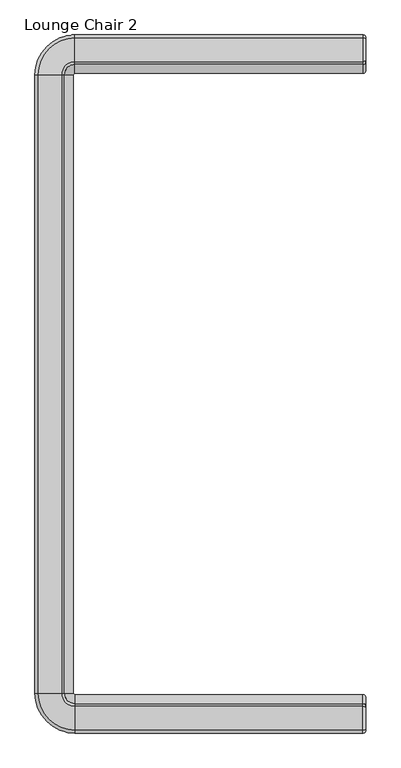
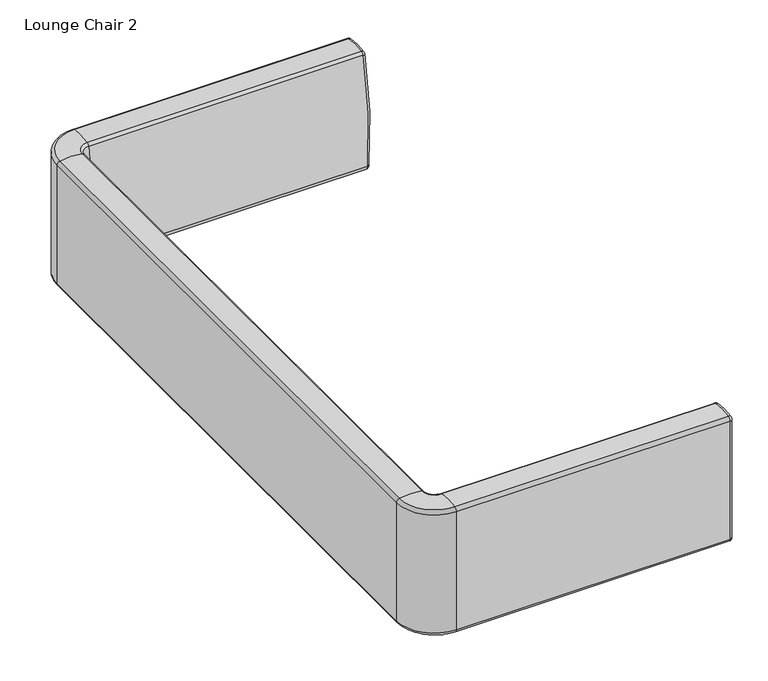
"""IFC4 building model written with IfcOpenShell, lengths in millimetres: furniture geometry, Lounge Chair 2."""

from ifc_helpers import new_model, si_unit, point, frame, origin, place, context, project, spatial, polyline, circle_curve, ellipse_curve, trimmed, source, transform, mapped, element, save
from ifc_brep_helpers import plane_surface, cylinder_surface, revolved_surface, advanced_brep


def lounge_chair_2_378ca54b(model_context):
    return source(origin(), model_context, "Body", "AdvancedBrep", [
        advanced_brep(
        [(382.9050121, -714.5232118, 679.4101744), (382.9050121, -715.5445841, 678.1647491), (382.9050121, -715.5445841, 406.9326341), (382.9050121, -713.4735492, 405.9471174), (382.9050121, -679.435139, 420.1629446), (382.9050121, -655.0515474, 429.151888), (382.9050121, -651.0062039, 435.9247564), (382.9050121, -667.0973097, 678.4771601), (382.9050121, -668.0842542, 679.4255901), (376.5550121, -715.7663503, 685.6373011), (376.5550121, -721.8945841, 678.1647491), (376.5550121, -721.8945841, 406.9326341), (376.5550121, -709.4683748, 401.019534), (376.5550121, -678.7459989, 413.8504501), (376.5550121, -651.4784521, 423.9025557), (376.5550121, -644.6903074, 435.2675266), (376.5550121, -660.9235834, 679.9629608), (376.5550121, -666.8452503, 685.6535408), (376.5550121, 660.9235834, 679.9629608), (-219.0746083, 660.9235834, 679.9629608), (-219.0746083, 644.6903074, 435.2675266), (376.5550121, 644.6903074, 435.2675266), (376.5550121, 651.4784521, 423.9025557), (-219.0746083, 651.4784521, 423.9025557), (-219.0746083, 678.7459989, 413.8504501), (376.5550121, 678.7459989, 413.8504501), (376.5550121, 721.8945841, 406.9326341), (-219.0746083, 721.8945841, 406.9326341), (-219.0746083, 721.8945841, 678.1647491), (376.5550121, 721.8945841, 678.1647491), (-240.6536319, 639.3445599, 679.9629608), (-224.4203559, 639.3445599, 435.2675266), (-231.2085006, 639.3445599, 423.9025557), (-258.4760474, 639.3445599, 413.8504501), (-301.6246325, 639.3445599, 406.9326341), (-301.6246325, 639.3445599, 678.1647491), (-240.6536319, -639.3445599, 679.9629608), (-224.4203559, -639.3445599, 435.2675266), (-231.2085006, -639.3445599, 423.9025557), (-258.4760474, -639.3445599, 413.8504501), (-301.6246325, -639.3445599, 406.9326341), (-301.6246325, -639.3445599, 678.1647491), (-219.0746083, -660.9235834, 679.9629608), (-219.0746083, -644.6903074, 435.2675266), (-219.0746083, -651.4784521, 423.9025557), (-219.0746083, -678.7459989, 413.8504501), (-219.0746083, -721.8945841, 406.9326341), (-219.0746083, -721.8945841, 678.1647491), (-219.0746083, 709.4683748, 401.019534), (376.5550121, 709.4683748, 401.019534), (-289.1984232, 639.3445599, 401.019534), (-289.1984232, -639.3445599, 401.019534), (-219.0746083, -709.4683748, 401.019534), (-219.0746083, 715.7663503, 685.6373011), (376.5550121, 715.7663503, 685.6373011), (-219.0746083, 666.8452503, 685.6535408), (376.5550121, 666.8452503, 685.6535408), (-295.4963987, 639.3445599, 685.6373011), (-246.5752987, 639.3445599, 685.6535408), (-295.4963987, -639.3445599, 685.6373011), (-246.5752987, -639.3445599, 685.6535408), (-219.0746083, -715.7663503, 685.6373011), (-219.0746083, -666.8452503, 685.6535408), (382.9050121, 668.0842542, 679.4255901), (382.9050121, 667.0973097, 678.4771601), (382.9050121, 651.0062039, 435.9247564), (382.9050121, 655.0515474, 429.151888), (382.9050121, 679.435139, 420.1629446), (382.9050121, 713.4735492, 405.9471174), (382.9050121, 715.5445841, 406.9326341), (382.9050121, 715.5445841, 678.1647491), (382.9050121, 714.5232118, 679.4101744)],
        [
            (0, 1, circle_curve(frame((382.9050121, -714.2745841, 678.1647491), z_axis=(1.0, 0.0, 0.0), x_axis=(0.0, -0.19576984179669715, 0.9806498707708557)), 1.27)),
            (1, 2),
            (2, 3, circle_curve(frame((382.9050121, -714.2745841, 406.9326341), z_axis=(1.0, 0.0, 0.0), x_axis=(0.0, -1.0, 0.0)), 1.27)),
            (3, 4, circle_curve(frame((382.9050121, -672.3612575, 355.3664873), z_axis=(-1.0, 0.0, 0.0), x_axis=(0.0, -0.6307361277008335, 0.7759973822204285)), 65.1814443)),
            (4, 5, circle_curve(frame((382.9050121, -685.2617591, 473.5345393), z_axis=(1.0, 0.0, 0.0), x_axis=(0.0, 0.10852600235373884, -0.9940936106892129)), 53.6887011)),
            (5, 6, circle_curve(frame((382.9050121, -660.3214873, 436.8941013), z_axis=(1.0, 0.0, 0.0), x_axis=(0.0, 0.5626921702505863, -0.82666651168333)), 9.3655824)),
            (6, 7, circle_curve(frame((382.9050121, -1365.8518023, 510.3113207), z_axis=(1.0, 0.0, 0.0), x_axis=(0.0, 0.994629374658128, -0.10350075877587275)), 718.7054964)),
            (7, 8, circle_curve(frame((382.9050121, -668.332055, 678.18), z_axis=(1.0, 0.0, 0.0), x_axis=(0.0, 0.9722403629031896, 0.23398435148931254)), 1.27)),
            (8, 0, circle_curve(frame((382.9050121, -691.265056, 562.9054704), z_axis=(1.0, 0.0, 0.0), x_axis=(0.0, 0.1951187333087927, 0.9807796286179542)), 118.8035684)),
            (0, 9, circle_curve(frame((376.5550121, -714.5232118, 679.4101744), z_axis=(0.0, -0.9806498707708557, -0.19576984179669712), x_axis=(0.0, 0.19576984179669712, -0.9806498707708557)), 6.35)),
            (9, 10, circle_curve(frame((376.5550121, -714.2745841, 678.1647491), z_axis=(1.0, 0.0, 0.0), x_axis=(0.0, -0.19576984179669715, 0.9806498707708557)), 7.62)),
            (10, 1, circle_curve(frame((376.5550121, -715.5445841, 678.1647491), z_axis=(0.0, 0.0, 0.9999999999999999), x_axis=(0.0, 0.9999999999999999, 0.0)), 6.35)),
            (10, 11),
            (11, 2, circle_curve(frame((376.5550121, -715.5445841, 406.9326341), z_axis=(0.0, 0.0, 1.0), x_axis=(0.0, 1.0, 0.0)), 6.35)),
            (11, 12, circle_curve(frame((376.5550121, -714.2745841, 406.9326341), z_axis=(1.0, 0.0, 0.0), x_axis=(0.0, -1.0, 0.0)), 7.62)),
            (12, 3, circle_curve(frame((376.5550121, -713.4735492, 405.9471174), z_axis=(0.0, -0.7759973822204405, -0.6307361277008188), x_axis=(0.0, -0.6307361277008188, 0.7759973822204405)), 6.35)),
            (12, 13, circle_curve(frame((376.5550121, -672.3612575, 355.3664873), z_axis=(-1.0, 0.0, 0.0), x_axis=(0.0, -0.6307361277008335, 0.7759973822204285)), 58.8314443)),
            (13, 4, circle_curve(frame((376.5550121, -679.435139, 420.1629446), z_axis=(0.0, -0.9940936106892131, -0.10852600235373594), x_axis=(0.0, -0.10852600235373594, 0.9940936106892131)), 6.35)),
            (13, 14, circle_curve(frame((376.5550121, -685.2617591, 473.5345393), z_axis=(1.0, 0.0, 0.0), x_axis=(0.0, 0.10852600235373884, -0.9940936106892129)), 60.0387011)),
            (14, 5, circle_curve(frame((376.5550121, -655.0515474, 429.151888), z_axis=(0.0, -0.8266665116833323, -0.5626921702505829), x_axis=(0.0, -0.5626921702505829, 0.8266665116833323)), 6.35)),
            (14, 15, circle_curve(frame((376.5550121, -660.3214873, 436.8941013), z_axis=(1.0, 0.0, 0.0), x_axis=(0.0, 0.5626921702505863, -0.82666651168333)), 15.7155824)),
            (15, 6, circle_curve(frame((376.5550121, -651.0062039, 435.9247564), z_axis=(0.0, -0.10350075877586978, -0.9946293746581284), x_axis=(0.0, -0.9946293746581284, 0.10350075877586978)), 6.35)),
            (15, 16, circle_curve(frame((376.5550121, -1365.8518023, 510.3113207), z_axis=(1.0, 0.0, 0.0), x_axis=(0.0, 0.994629374658128, -0.10350075877587275)), 725.0554964)),
            (16, 7, circle_curve(frame((376.5550121, -667.0973097, 678.4771601), z_axis=(0.0, 0.23398435148929125, -0.9722403629031947), x_axis=(0.0, -0.9722403629031947, -0.23398435148929125)), 6.35)),
            (16, 17, circle_curve(frame((376.5550121, -668.332055, 678.18), z_axis=(1.0, 0.0, 0.0), x_axis=(0.0, 0.9722403629031896, 0.23398435148931254)), 7.62)),
            (17, 8, circle_curve(frame((376.5550121, -668.0842542, 679.4255901), z_axis=(0.0, 0.9807796286179571, -0.19511873330877794), x_axis=(0.0, -0.19511873330877794, -0.9807796286179571)), 6.35)),
            (17, 9, circle_curve(frame((376.5550121, -691.265056, 562.9054704), z_axis=(1.0, 0.0, 0.0), x_axis=(0.0, 0.1951187333087927, 0.9807796286179542)), 125.1535684)),
            (18, 19),
            (19, 20, circle_curve(frame((-219.0746083, 1365.8518023, 510.3113207), z_axis=(1.0, 0.0, 0.0), x_axis=(0.0, -1.0, 0.0)), 725.0554964)),
            (20, 21),
            (21, 18, circle_curve(frame((376.5550121, 1365.8518023, 510.3113207), z_axis=(-1.0, 0.0, 0.0), x_axis=(0.0, -1.0, 0.0)), 725.0554964)),
            (22, 23),
            (23, 24, circle_curve(frame((-219.0746083, 685.2617591, 473.5345393), z_axis=(1.0, 0.0, 0.0), x_axis=(0.0, -1.0, 0.0)), 60.0387011)),
            (24, 25),
            (25, 22, circle_curve(frame((376.5550121, 685.2617591, 473.5345393), z_axis=(-1.0, 0.0, 0.0), x_axis=(0.0, -1.0, 0.0)), 60.0387011)),
            (26, 27),
            (27, 28),
            (28, 29),
            (29, 26),
            (19, 30, circle_curve(frame((-219.0746083, 639.3445599, 679.9629608), z_axis=(0.0, 0.0, 1.0), x_axis=(0.0, 1.0, 0.0)), 21.5790236)),
            (30, 31, circle_curve(frame((-945.5818508, 639.3445599, 510.3113207), z_axis=(0.0, 1.0, 0.0), x_axis=(1.0, 0.0, 0.0)), 725.0554964)),
            (31, 20, circle_curve(frame((-219.0746083, 639.3445599, 435.2675266), z_axis=(0.0, 0.0, -1.0), x_axis=(0.0, 1.0, 0.0)), 5.3457475)),
            (23, 32, circle_curve(frame((-219.0746083, 639.3445599, 423.9025557), z_axis=(0.0, 0.0, 1.0), x_axis=(0.0, 1.0, 0.0)), 12.1338922)),
            (32, 33, circle_curve(frame((-264.9918076, 639.3445599, 473.5345393), z_axis=(0.0, 1.0, 0.0), x_axis=(1.0, 0.0, 0.0)), 60.0387011)),
            (33, 24, circle_curve(frame((-219.0746083, 639.3445599, 413.8504501), z_axis=(0.0, 0.0, -1.0), x_axis=(0.0, 1.0, 0.0)), 39.401439)),
            (27, 34, circle_curve(frame((-219.0746083, 639.3445599, 406.9326341), z_axis=(0.0, 0.0, 1.0), x_axis=(0.0, 1.0, 0.0)), 82.5500242)),
            (34, 35),
            (35, 28, circle_curve(frame((-219.0746083, 639.3445599, 678.1647491), z_axis=(0.0, 0.0, -1.0), x_axis=(0.0, 1.0, 0.0)), 82.5500242)),
            (30, 36),
            (36, 37, circle_curve(frame((-945.5818508, -639.3445599, 510.3113207), z_axis=(0.0, 1.0, 0.0), x_axis=(1.0, 0.0, 0.0)), 725.0554964)),
            (37, 31),
            (32, 38),
            (38, 39, circle_curve(frame((-264.9918076, -639.3445599, 473.5345393), z_axis=(0.0, 1.0, 0.0), x_axis=(1.0, 0.0, 0.0)), 60.0387011)),
            (39, 33),
            (34, 40),
            (40, 41),
            (41, 35),
            (36, 42, circle_curve(frame((-219.0746083, -639.3445599, 679.9629608), z_axis=(0.0, 0.0, 1.0), x_axis=(-1.0, 0.0, 0.0)), 21.5790236)),
            (42, 43, circle_curve(frame((-219.0746083, -1365.8518023, 510.3113207), z_axis=(-1.0, 0.0, 0.0), x_axis=(0.0, 1.0, 0.0)), 725.0554964)),
            (43, 37, circle_curve(frame((-219.0746083, -639.3445599, 435.2675266), z_axis=(0.0, 0.0, -1.0), x_axis=(-1.0, 0.0, 0.0)), 5.3457475)),
            (38, 44, circle_curve(frame((-219.0746083, -639.3445599, 423.9025557), z_axis=(0.0, 0.0, 1.0), x_axis=(-1.0, 0.0, 0.0)), 12.1338922)),
            (44, 45, circle_curve(frame((-219.0746083, -685.2617591, 473.5345393), z_axis=(-1.0, 0.0, 0.0), x_axis=(0.0, 1.0, 0.0)), 60.0387011)),
            (45, 39, circle_curve(frame((-219.0746083, -639.3445599, 413.8504501), z_axis=(0.0, 0.0, -1.0), x_axis=(-1.0, 0.0, 0.0)), 39.401439)),
            (40, 46, circle_curve(frame((-219.0746083, -639.3445599, 406.9326341), z_axis=(0.0, 0.0, 1.0), x_axis=(-1.0, 0.0, 0.0)), 82.5500242)),
            (46, 47),
            (47, 41, circle_curve(frame((-219.0746083, -639.3445599, 678.1647491), z_axis=(0.0, 0.0, -1.0), x_axis=(-1.0, 0.0, 0.0)), 82.5500242)),
            (42, 16),
            (15, 43),
            (44, 14),
            (13, 45),
            (46, 11),
            (10, 47),
            (20, 23, circle_curve(frame((-219.0746083, 660.3214873, 436.8941013), z_axis=(1.0, 0.0, 0.0), x_axis=(0.0, -1.0, 0.0)), 15.7155824)),
            (22, 21, circle_curve(frame((376.5550121, 660.3214873, 436.8941013), z_axis=(-1.0, 0.0, 0.0), x_axis=(0.0, -1.0, 0.0)), 15.7155824)),
            (31, 32, circle_curve(frame((-240.0515357, 639.3445599, 436.8941013), z_axis=(0.0, 1.0, 0.0), x_axis=(1.0, 0.0, 0.0)), 15.7155824)),
            (37, 38, circle_curve(frame((-240.0515357, -639.3445599, 436.8941013), z_axis=(0.0, 1.0, 0.0), x_axis=(1.0, 0.0, 0.0)), 15.7155824)),
            (43, 44, circle_curve(frame((-219.0746083, -660.3214873, 436.8941013), z_axis=(-1.0, 0.0, 0.0), x_axis=(0.0, 1.0, 0.0)), 15.7155824)),
            (24, 48, circle_curve(frame((-219.0746083, 672.3612575, 355.3664873), z_axis=(-1.0, 0.0, 0.0), x_axis=(0.0, -1.0, 0.0)), 58.8314443)),
            (48, 49),
            (49, 25, circle_curve(frame((376.5550121, 672.3612575, 355.3664873), z_axis=(1.0, 0.0, 0.0), x_axis=(0.0, -1.0, 0.0)), 58.8314443)),
            (33, 50, circle_curve(frame((-252.0913059, 639.3445599, 355.3664873), z_axis=(0.0, -1.0, 0.0), x_axis=(1.0, 0.0, 0.0)), 58.8314443)),
            (50, 48, circle_curve(frame((-219.0746083, 639.3445599, 401.019534), z_axis=(0.0, 0.0, -1.0), x_axis=(0.0, 1.0, 0.0)), 70.1238149)),
            (39, 51, circle_curve(frame((-252.0913059, -639.3445599, 355.3664873), z_axis=(0.0, -1.0, 0.0), x_axis=(1.0, 0.0, 0.0)), 58.8314443)),
            (51, 50),
            (45, 52, circle_curve(frame((-219.0746083, -672.3612575, 355.3664873), z_axis=(1.0, 0.0, 0.0), x_axis=(0.0, 1.0, 0.0)), 58.8314443)),
            (52, 51, circle_curve(frame((-219.0746083, -639.3445599, 401.019534), z_axis=(0.0, 0.0, -1.0), x_axis=(-1.0, 0.0, 0.0)), 70.1238149)),
            (12, 52),
            (26, 49, circle_curve(frame((376.5550121, 714.2745841, 406.9326341), z_axis=(-1.0, 0.0, 0.0), x_axis=(0.0, -1.0, 0.0)), 7.62)),
            (48, 27, circle_curve(frame((-219.0746083, 714.2745841, 406.9326341), z_axis=(1.0, 0.0, 0.0), x_axis=(0.0, -1.0, 0.0)), 7.62)),
            (50, 34, circle_curve(frame((-294.0046325, 639.3445599, 406.9326341), z_axis=(0.0, 1.0, 0.0), x_axis=(1.0, 0.0, 0.0)), 7.62)),
            (51, 40, circle_curve(frame((-294.0046325, -639.3445599, 406.9326341), z_axis=(0.0, 1.0, 0.0), x_axis=(1.0, 0.0, 0.0)), 7.62)),
            (52, 46, circle_curve(frame((-219.0746083, -714.2745841, 406.9326341), z_axis=(-1.0, 0.0, 0.0), x_axis=(0.0, 1.0, 0.0)), 7.62)),
            (28, 53, circle_curve(frame((-219.0746083, 714.2745841, 678.1647491), z_axis=(1.0, 0.0, 0.0), x_axis=(0.0, -1.0, 0.0)), 7.62)),
            (53, 54),
            (54, 29, circle_curve(frame((376.5550121, 714.2745841, 678.1647491), z_axis=(-1.0, 0.0, 0.0), x_axis=(0.0, -1.0, 0.0)), 7.62)),
            (53, 55, circle_curve(frame((-219.0746083, 691.265056, 562.9054704), z_axis=(1.0, 0.0, 0.0), x_axis=(0.0, -1.0, 0.0)), 125.1535684)),
            (55, 56),
            (56, 54, circle_curve(frame((376.5550121, 691.265056, 562.9054704), z_axis=(-1.0, 0.0, 0.0), x_axis=(0.0, -1.0, 0.0)), 125.1535684)),
            (18, 56, circle_curve(frame((376.5550121, 668.332055, 678.18), z_axis=(-1.0, 0.0, 0.0), x_axis=(0.0, -1.0, 0.0)), 7.62)),
            (55, 19, circle_curve(frame((-219.0746083, 668.332055, 678.18), z_axis=(1.0, 0.0, 0.0), x_axis=(0.0, -1.0, 0.0)), 7.62)),
            (35, 57, circle_curve(frame((-294.0046325, 639.3445599, 678.1647491), z_axis=(0.0, 1.0, 0.0), x_axis=(1.0, 0.0, 0.0)), 7.62)),
            (57, 53, circle_curve(frame((-219.0746083, 639.3445599, 685.6373011), z_axis=(0.0, 0.0, -1.0), x_axis=(0.0, 1.0, 0.0)), 76.4217904)),
            (57, 58, circle_curve(frame((-270.9951044, 639.3445599, 562.9054704), z_axis=(0.0, 1.0, 0.0), x_axis=(1.0, 0.0, 0.0)), 125.1535684)),
            (58, 55, circle_curve(frame((-219.0746083, 639.3445599, 685.6535408), z_axis=(0.0, 0.0, -1.0), x_axis=(0.0, 1.0, 0.0)), 27.5006904)),
            (58, 30, circle_curve(frame((-248.0621034, 639.3445599, 678.18), z_axis=(0.0, 1.0, 0.0), x_axis=(1.0, 0.0, 0.0)), 7.62)),
            (41, 59, circle_curve(frame((-294.0046325, -639.3445599, 678.1647491), z_axis=(0.0, 1.0, 0.0), x_axis=(1.0, 0.0, 0.0)), 7.62)),
            (59, 57),
            (59, 60, circle_curve(frame((-270.9951044, -639.3445599, 562.9054704), z_axis=(0.0, 1.0, 0.0), x_axis=(1.0, 0.0, 0.0)), 125.1535684)),
            (60, 58),
            (60, 36, circle_curve(frame((-248.0621034, -639.3445599, 678.18), z_axis=(0.0, 1.0, 0.0), x_axis=(1.0, 0.0, 0.0)), 7.62)),
            (47, 61, circle_curve(frame((-219.0746083, -714.2745841, 678.1647491), z_axis=(-1.0, 0.0, 0.0), x_axis=(0.0, 1.0, 0.0)), 7.62)),
            (61, 59, circle_curve(frame((-219.0746083, -639.3445599, 685.6373011), z_axis=(0.0, 0.0, -1.0), x_axis=(-1.0, 0.0, 0.0)), 76.4217904)),
            (61, 62, circle_curve(frame((-219.0746083, -691.265056, 562.9054704), z_axis=(-1.0, 0.0, 0.0), x_axis=(0.0, 1.0, 0.0)), 125.1535684)),
            (62, 60, circle_curve(frame((-219.0746083, -639.3445599, 685.6535408), z_axis=(0.0, 0.0, -1.0), x_axis=(-1.0, 0.0, 0.0)), 27.5006904)),
            (62, 42, circle_curve(frame((-219.0746083, -668.332055, 678.18), z_axis=(-1.0, 0.0, 0.0), x_axis=(0.0, 1.0, 0.0)), 7.62)),
            (9, 61),
            (17, 62),
            (63, 56, circle_curve(frame((376.5550121, 668.0842542, 679.4255901), z_axis=(0.0, -0.980779628617956, -0.19511873330878385), x_axis=(0.0, 0.19511873330878385, -0.980779628617956)), 6.35)),
            (18, 64, circle_curve(frame((376.5550121, 667.0973097, 678.4771601), z_axis=(0.0, 0.23398435148930713, 0.9722403629031909), x_axis=(0.0, 0.9722403629031909, -0.23398435148930713)), 6.35)),
            (64, 63, circle_curve(frame((382.9050121, 668.332055, 678.18), z_axis=(-1.0, 0.0, 0.0), x_axis=(0.0, -0.19511873330878338, 0.9807796286179561)), 1.27)),
            (21, 65, circle_curve(frame((376.5550121, 651.0062039, 435.9247564), z_axis=(0.0, -0.10350075877586593, 0.9946293746581285), x_axis=(0.0, 0.9946293746581285, 0.10350075877586593)), 6.35)),
            (65, 64, circle_curve(frame((382.9050121, 1365.8518023, 510.3113207), z_axis=(-1.0, 0.0, 0.0), x_axis=(0.0, -0.9722403629031947, 0.23398435148929123)), 718.7054964)),
            (22, 66, circle_curve(frame((376.5550121, 655.0515474, 429.151888), z_axis=(0.0, -0.826666511683327, 0.5626921702505905), x_axis=(0.0, 0.5626921702505905, 0.826666511683327)), 6.35)),
            (66, 65, circle_curve(frame((382.9050121, 660.3214873, 436.8941013), z_axis=(-1.0, 0.0, 0.0), x_axis=(0.0, -0.9946293746581639, -0.10350075877552664)), 9.3655824)),
            (25, 67, circle_curve(frame((376.5550121, 679.435139, 420.1629446), z_axis=(0.0, -0.9940936106892131, 0.10852600235373605), x_axis=(0.0, 0.10852600235373605, 0.9940936106892131)), 6.35)),
            (67, 66, circle_curve(frame((382.9050121, 685.2617591, 473.5345393), z_axis=(-1.0, 0.0, 0.0), x_axis=(0.0, -0.5626921702505868, -0.8266665116833296)), 53.6887011)),
            (49, 68, circle_curve(frame((376.5550121, 713.4735492, 405.9471174), z_axis=(0.0, -0.7759973822204299, 0.6307361277008318), x_axis=(0.0, 0.6307361277008318, 0.7759973822204299)), 6.35)),
            (68, 67, circle_curve(frame((382.9050121, 672.3612575, 355.3664873), z_axis=(1.0, 0.0, 0.0), x_axis=(0.0, 0.10852600235373923, 0.9940936106892128)), 65.1814443)),
            (26, 69, circle_curve(frame((376.5550121, 715.5445841, 406.9326341), z_axis=(0.0, 0.0, -1.0), x_axis=(0.0, -1.0, 0.0)), 6.35)),
            (69, 68, circle_curve(frame((382.9050121, 714.2745841, 406.9326341), z_axis=(-1.0, 0.0, 0.0), x_axis=(0.0, -0.6307361277008319, -0.7759973822204298)), 1.27)),
            (29, 70, circle_curve(frame((376.5550121, 715.5445841, 678.1647491), z_axis=(0.0, 0.0, -1.0), x_axis=(0.0, -1.0, 0.0)), 6.35)),
            (70, 69),
            (54, 71, circle_curve(frame((376.5550121, 714.5232118, 679.4101744), z_axis=(0.0, 0.9806498707708541, -0.19576984179670612), x_axis=(0.0, -0.19576984179670612, -0.9806498707708541)), 6.35)),
            (71, 70, circle_curve(frame((382.9050121, 714.2745841, 678.1647491), z_axis=(-1.0, 0.0, 0.0), x_axis=(0.0, 1.0, 0.0)), 1.27)),
            (63, 71, circle_curve(frame((382.9050121, 691.265056, 562.9054704), z_axis=(-1.0, 0.0, 0.0), x_axis=(0.0, 0.19576984179670068, 0.9806498707708551)), 118.8035684)),
        ],
        [
            plane_surface(frame((382.9050121, -714.2745841, 408.2026341), z_axis=(1.0, 0.0, 0.0), x_axis=(0.0, -1.0, 0.0))),
            revolved_surface(trimmed(ellipse_curve(frame((376.5550121, -714.5232118, 679.4101744), z_axis=(0.0, 0.9806498707708557, 0.19576984179669712), x_axis=(0.0, 0.19576984179669712, -0.9806498707708557)), 6.35, 6.35), [point((376.5550121, -715.7663503, 685.6373011))], [point((382.9050121, -714.5232118, 679.4101744))], True, "CARTESIAN"), (376.5550121, -714.2745841, 678.1647491), (1.0, 0.0, 0.0)),
            cylinder_surface(frame((376.5550121, -715.5445841, 678.1647491), z_axis=(0.0, 0.0, 1.0), x_axis=(0.0, 1.0, 0.0)), 6.35),
            revolved_surface(trimmed(ellipse_curve(frame((376.5550121, -715.5445841, 406.9326341), z_axis=(0.0, 0.0, 1.0), x_axis=(0.0, 1.0, 0.0)), 6.35, 6.35), [point((376.5550121, -721.8945841, 406.9326341))], [point((382.9050121, -715.5445841, 406.9326341))], True, "CARTESIAN"), (376.5550121, -714.2745841, 406.9326341), (1.0, 0.0, 0.0)),
            revolved_surface(trimmed(ellipse_curve(frame((376.5550121, -713.4735492, 405.9471174), z_axis=(0.0, -0.7759973822204286, -0.6307361277008333), x_axis=(0.0, -0.6307361277008333, 0.7759973822204286)), 6.35, 6.35), [point((376.5550121, -709.4683748, 401.019534))], [point((382.9050121, -713.4735492, 405.9471174))], True, "CARTESIAN"), (376.5550121, -672.3612575, 355.3664873), (-1.0, 0.0, 0.0)),
            revolved_surface(trimmed(ellipse_curve(frame((376.5550121, -679.435139, 420.1629446), z_axis=(0.0, -0.9940936106892129, -0.10852600235373863), x_axis=(0.0, -0.10852600235373863, 0.9940936106892129)), 6.35, 6.35), [point((376.5550121, -678.7459989, 413.8504501))], [point((382.9050121, -679.435139, 420.1629446))], True, "CARTESIAN"), (376.5550121, -685.2617591, 473.5345393), (1.0, 0.0, 0.0)),
            revolved_surface(trimmed(ellipse_curve(frame((376.5550121, -655.0515474, 429.151888), z_axis=(0.0, -0.8266665116833302, -0.562692170250586), x_axis=(0.0, -0.562692170250586, 0.8266665116833302)), 6.35, 6.35), [point((376.5550121, -651.4784521, 423.9025557))], [point((382.9050121, -655.0515474, 429.151888))], True, "CARTESIAN"), (376.5550121, -660.3214873, 436.8941013), (1.0, 0.0, 0.0)),
            revolved_surface(trimmed(ellipse_curve(frame((376.5550121, -651.0062039, 435.9247564), z_axis=(0.0, -0.1035007587758729, -0.994629374658128), x_axis=(0.0, -0.994629374658128, 0.1035007587758729)), 6.35, 6.35), [point((376.5550121, -644.6903074, 435.2675266))], [point((382.9050121, -651.0062039, 435.9247564))], True, "CARTESIAN"), (376.5550121, -1365.8518023, 510.3113207), (1.0, 0.0, 0.0)),
            revolved_surface(trimmed(ellipse_curve(frame((376.5550121, -667.0973097, 678.4771601), z_axis=(0.0, 0.23398435148931235, -0.9722403629031896), x_axis=(0.0, -0.9722403629031896, -0.23398435148931235)), 6.35, 6.35), [point((376.5550121, -660.9235834, 679.9629608))], [point((382.9050121, -667.0973097, 678.4771601))], True, "CARTESIAN"), (376.5550121, -668.332055, 678.18), (1.0, 0.0, 0.0)),
            revolved_surface(trimmed(ellipse_curve(frame((376.5550121, -668.0842542, 679.4255901), z_axis=(0.0, 0.9807796286179542, -0.1951187333087929), x_axis=(0.0, -0.1951187333087929, -0.9807796286179542)), 6.35, 6.35), [point((376.5550121, -666.8452503, 685.6535408))], [point((382.9050121, -668.0842542, 679.4255901))], True, "CARTESIAN"), (376.5550121, -691.265056, 562.9054704), (1.0, 0.0, 0.0)),
            cylinder_surface(frame((376.5550121, 1365.8518023, 510.3113207), z_axis=(1.0, 0.0, 0.0), x_axis=(0.0, -1.0, 0.0)), 725.0554964),
            cylinder_surface(frame((376.5550121, 685.2617591, 473.5345393), z_axis=(1.0, 0.0, 0.0), x_axis=(0.0, -1.0, 0.0)), 60.0387011),
            plane_surface(frame((376.5550121, 721.8945841, 406.9326341), z_axis=(0.0, 1.0, 0.0), x_axis=(-1.0, 0.0, 0.0))),
            revolved_surface(trimmed(ellipse_curve(frame((-219.0746083, 1365.8518023, 510.3113207), z_axis=(1.0, 0.0, 0.0), x_axis=(0.0, -1.0, 0.0)), 725.0554964, 725.0554964), [point((-219.0746083, 660.9235834, 679.9629608))], [point((-219.0746083, 644.6903074, 435.2675266))], True, "CARTESIAN"), (-219.0746083, 639.3445599, 149.8035673), (0.0, 0.0, 1.0)),
            revolved_surface(trimmed(ellipse_curve(frame((-219.0746083, 685.2617591, 473.5345393), z_axis=(1.0, 0.0, 0.0), x_axis=(0.0, -1.0, 0.0)), 60.0387011, 60.0387011), [point((-219.0746083, 651.4784521, 423.9025557))], [point((-219.0746083, 678.7459989, 413.8504501))], True, "CARTESIAN"), (-219.0746083, 639.3445599, 149.8035673), (0.0, 0.0, 1.0)),
            cylinder_surface(frame((-219.0746083, 639.3445599, 149.8035673), z_axis=(0.0, 0.0, 1.0), x_axis=(0.0, 1.0, 0.0)), 82.5500242),
            cylinder_surface(frame((-945.5818508, 639.3445599, 510.3113207), z_axis=(0.0, 1.0, 0.0), x_axis=(1.0, 0.0, 0.0)), 725.0554964),
            cylinder_surface(frame((-264.9918076, 639.3445599, 473.5345393), z_axis=(0.0, 1.0, 0.0), x_axis=(1.0, 0.0, 0.0)), 60.0387011),
            plane_surface(frame((-301.6246325, 639.3445599, 406.9326341), z_axis=(-1.0, 0.0, 0.0), x_axis=(0.0, -1.0, 0.0))),
            revolved_surface(trimmed(ellipse_curve(frame((-945.5818508, -639.3445599, 510.3113207), z_axis=(0.0, 1.0, 0.0), x_axis=(1.0, 0.0, 0.0)), 725.0554964, 725.0554964), [point((-240.6536319, -639.3445599, 679.9629608))], [point((-224.4203559, -639.3445599, 435.2675266))], True, "CARTESIAN"), (-219.0746083, -639.3445599, 149.8035673), (0.0, 0.0, 1.0)),
            revolved_surface(trimmed(ellipse_curve(frame((-264.9918076, -639.3445599, 473.5345393), z_axis=(0.0, 1.0, 0.0), x_axis=(1.0, 0.0, 0.0)), 60.0387011, 60.0387011), [point((-231.2085006, -639.3445599, 423.9025557))], [point((-258.4760474, -639.3445599, 413.8504501))], True, "CARTESIAN"), (-219.0746083, -639.3445599, 149.8035673), (0.0, 0.0, 1.0)),
            cylinder_surface(frame((-219.0746083, -639.3445599, 149.8035673), z_axis=(0.0, 0.0, 1.0), x_axis=(-1.0, 0.0, 0.0)), 82.5500242),
            cylinder_surface(frame((-219.0746083, -1365.8518023, 510.3113207), z_axis=(-1.0, 0.0, 0.0), x_axis=(0.0, 1.0, 0.0)), 725.0554964),
            cylinder_surface(frame((-219.0746083, -685.2617591, 473.5345393), z_axis=(-1.0, 0.0, 0.0), x_axis=(0.0, 1.0, 0.0)), 60.0387011),
            plane_surface(frame((-219.0746083, -721.8945841, 406.9326341), z_axis=(0.0, -1.0, 0.0), x_axis=(1.0, 0.0, 0.0))),
            cylinder_surface(frame((376.5550121, 660.3214873, 436.8941013), z_axis=(1.0, 0.0, 0.0), x_axis=(0.0, -1.0, 0.0)), 15.7155824),
            revolved_surface(trimmed(ellipse_curve(frame((-219.0746083, 660.3214873, 436.8941013), z_axis=(1.0, 0.0, 0.0), x_axis=(0.0, -1.0, 0.0)), 15.7155824, 15.7155824), [point((-219.0746083, 644.6903074, 435.2675266))], [point((-219.0746083, 651.4784521, 423.9025557))], True, "CARTESIAN"), (-219.0746083, 639.3445599, 149.8035673), (0.0, 0.0, 1.0)),
            cylinder_surface(frame((-240.0515357, 639.3445599, 436.8941013), z_axis=(0.0, 1.0, 0.0), x_axis=(1.0, 0.0, 0.0)), 15.7155824),
            revolved_surface(trimmed(ellipse_curve(frame((-240.0515357, -639.3445599, 436.8941013), z_axis=(0.0, 1.0, 0.0), x_axis=(1.0, 0.0, 0.0)), 15.7155824, 15.7155824), [point((-224.4203559, -639.3445599, 435.2675266))], [point((-231.2085006, -639.3445599, 423.9025557))], True, "CARTESIAN"), (-219.0746083, -639.3445599, 149.8035673), (0.0, 0.0, 1.0)),
            cylinder_surface(frame((-219.0746083, -660.3214873, 436.8941013), z_axis=(-1.0, 0.0, 0.0), x_axis=(0.0, 1.0, 0.0)), 15.7155824),
            revolved_surface(polyline([(-219.07460830000002, 613.5298131999999, 355.3664873), (376.5550121, 613.5298131999999, 355.3664873)]), (376.5550121, 672.3612575, 355.3664873), (-1.0, 0.0, 0.0)),
            revolved_surface(trimmed(ellipse_curve(frame((-219.0746083, 672.3612575, 355.3664873), z_axis=(-1.0, 0.0, 0.0), x_axis=(0.0, -1.0, 0.0)), 58.8314443, 58.8314443), [point((-219.0746083, 678.7459989, 413.8504501))], [point((-219.0746083, 709.4683748, 401.019534))], True, "CARTESIAN"), (-219.0746083, 639.3445599, 149.8035673), (0.0, 0.0, 1.0)),
            revolved_surface(polyline([(-193.25986160000002, -639.3445599, 355.3664873), (-193.25986160000002, 639.3445599, 355.3664873)]), (-252.0913059, 639.3445599, 355.3664873), (0.0, -1.0, 0.0)),
            revolved_surface(trimmed(ellipse_curve(frame((-252.0913059, -639.3445599, 355.3664873), z_axis=(0.0, -1.0, 0.0), x_axis=(1.0, 0.0, 0.0)), 58.8314443, 58.8314443), [point((-258.4760474, -639.3445599, 413.8504501))], [point((-289.1984232, -639.3445599, 401.019534))], True, "CARTESIAN"), (-219.0746083, -639.3445599, 149.8035673), (0.0, 0.0, 1.0)),
            revolved_surface(polyline([(376.5550121, -613.5298131999999, 355.3664873), (-219.0746083, -613.5298131999999, 355.3664873)]), (-219.0746083, -672.3612575, 355.3664873), (1.0, 0.0, 0.0)),
            cylinder_surface(frame((376.5550121, 714.2745841, 406.9326341), z_axis=(1.0, 0.0, 0.0), x_axis=(0.0, -1.0, 0.0)), 7.62),
            revolved_surface(trimmed(ellipse_curve(frame((-219.0746083, 714.2745841, 406.9326341), z_axis=(1.0, 0.0, 0.0), x_axis=(0.0, -1.0, 0.0)), 7.62, 7.62), [point((-219.0746083, 709.4683748, 401.019534))], [point((-219.0746083, 721.8945841, 406.9326341))], True, "CARTESIAN"), (-219.0746083, 639.3445599, 149.8035673), (0.0, 0.0, 1.0)),
            cylinder_surface(frame((-294.0046325, 639.3445599, 406.9326341), z_axis=(0.0, 1.0, 0.0), x_axis=(1.0, 0.0, 0.0)), 7.62),
            revolved_surface(trimmed(ellipse_curve(frame((-294.0046325, -639.3445599, 406.9326341), z_axis=(0.0, 1.0, 0.0), x_axis=(1.0, 0.0, 0.0)), 7.62, 7.62), [point((-289.1984232, -639.3445599, 401.019534))], [point((-301.6246325, -639.3445599, 406.9326341))], True, "CARTESIAN"), (-219.0746083, -639.3445599, 149.8035673), (0.0, 0.0, 1.0)),
            cylinder_surface(frame((-219.0746083, -714.2745841, 406.9326341), z_axis=(-1.0, 0.0, 0.0), x_axis=(0.0, 1.0, 0.0)), 7.62),
            cylinder_surface(frame((376.5550121, 714.2745841, 678.1647491), z_axis=(1.0, 0.0, 0.0), x_axis=(0.0, -1.0, 0.0)), 7.62),
            cylinder_surface(frame((376.5550121, 691.265056, 562.9054704), z_axis=(1.0, 0.0, 0.0), x_axis=(0.0, -1.0, 0.0)), 125.1535684),
            cylinder_surface(frame((376.5550121, 668.332055, 678.18), z_axis=(1.0, 0.0, 0.0), x_axis=(0.0, -1.0, 0.0)), 7.62),
            revolved_surface(trimmed(ellipse_curve(frame((-219.0746083, 714.2745841, 678.1647491), z_axis=(1.0, 0.0, 0.0), x_axis=(0.0, -1.0, 0.0)), 7.62, 7.62), [point((-219.0746083, 721.8945841, 678.1647491))], [point((-219.0746083, 715.7663503, 685.6373011))], True, "CARTESIAN"), (-219.0746083, 639.3445599, 149.8035673), (0.0, 0.0, 1.0)),
            revolved_surface(trimmed(ellipse_curve(frame((-219.0746083, 691.265056, 562.9054704), z_axis=(1.0, 0.0, 0.0), x_axis=(0.0, -1.0, 0.0)), 125.1535684, 125.1535684), [point((-219.0746083, 715.7663503, 685.6373011))], [point((-219.0746083, 666.8452503, 685.6535408))], True, "CARTESIAN"), (-219.0746083, 639.3445599, 149.8035673), (0.0, 0.0, 1.0)),
            revolved_surface(trimmed(ellipse_curve(frame((-219.0746083, 668.332055, 678.18), z_axis=(1.0, 0.0, 0.0), x_axis=(0.0, -1.0, 0.0)), 7.62, 7.62), [point((-219.0746083, 666.8452503, 685.6535408))], [point((-219.0746083, 660.9235834, 679.9629608))], True, "CARTESIAN"), (-219.0746083, 639.3445599, 149.8035673), (0.0, 0.0, 1.0)),
            cylinder_surface(frame((-294.0046325, 639.3445599, 678.1647491), z_axis=(0.0, 1.0, 0.0), x_axis=(1.0, 0.0, 0.0)), 7.62),
            cylinder_surface(frame((-270.9951044, 639.3445599, 562.9054704), z_axis=(0.0, 1.0, 0.0), x_axis=(1.0, 0.0, 0.0)), 125.1535684),
            cylinder_surface(frame((-248.0621034, 639.3445599, 678.18), z_axis=(0.0, 1.0, 0.0), x_axis=(1.0, 0.0, 0.0)), 7.62),
            revolved_surface(trimmed(ellipse_curve(frame((-294.0046325, -639.3445599, 678.1647491), z_axis=(0.0, 1.0, 0.0), x_axis=(1.0, 0.0, 0.0)), 7.62, 7.62), [point((-301.6246325, -639.3445599, 678.1647491))], [point((-295.4963987, -639.3445599, 685.6373011))], True, "CARTESIAN"), (-219.0746083, -639.3445599, 149.8035673), (0.0, 0.0, 1.0)),
            revolved_surface(trimmed(ellipse_curve(frame((-270.9951044, -639.3445599, 562.9054704), z_axis=(0.0, 1.0, 0.0), x_axis=(1.0, 0.0, 0.0)), 125.1535684, 125.1535684), [point((-295.4963987, -639.3445599, 685.6373011))], [point((-246.5752987, -639.3445599, 685.6535408))], True, "CARTESIAN"), (-219.0746083, -639.3445599, 149.8035673), (0.0, 0.0, 1.0)),
            revolved_surface(trimmed(ellipse_curve(frame((-248.0621034, -639.3445599, 678.18), z_axis=(0.0, 1.0, 0.0), x_axis=(1.0, 0.0, 0.0)), 7.62, 7.62), [point((-246.5752987, -639.3445599, 685.6535408))], [point((-240.6536319, -639.3445599, 679.9629608))], True, "CARTESIAN"), (-219.0746083, -639.3445599, 149.8035673), (0.0, 0.0, 1.0)),
            cylinder_surface(frame((-219.0746083, -714.2745841, 678.1647491), z_axis=(-1.0, 0.0, 0.0), x_axis=(0.0, 1.0, 0.0)), 7.62),
            cylinder_surface(frame((-219.0746083, -691.265056, 562.9054704), z_axis=(-1.0, 0.0, 0.0), x_axis=(0.0, 1.0, 0.0)), 125.1535684),
            cylinder_surface(frame((-219.0746083, -668.332055, 678.18), z_axis=(-1.0, 0.0, 0.0), x_axis=(0.0, 1.0, 0.0)), 7.62),
            revolved_surface(trimmed(ellipse_curve(frame((376.5550121, 668.0842542, 679.4255901), z_axis=(0.0, 0.980779628617956, 0.19511873330878385), x_axis=(0.0, 0.19511873330878385, -0.980779628617956)), 6.35, 6.35), [point((376.5550121, 666.8452503, 685.6535408))], [point((382.9050121, 668.0842542, 679.4255901))], True, "CARTESIAN"), (376.5550121, 668.332055, 678.18), (1.0, 0.0, 0.0)),
            revolved_surface(trimmed(ellipse_curve(frame((376.5550121, 667.0973097, 678.4771601), z_axis=(0.0, 0.23398435148929073, 0.9722403629031948), x_axis=(0.0, 0.9722403629031948, -0.23398435148929073)), 6.35, 6.35), [point((376.5550121, 660.9235834, 679.9629608))], [point((382.9050121, 667.0973097, 678.4771601))], True, "CARTESIAN"), (376.5550121, 1365.8518023, 510.3113207), (1.0, 0.0, 0.0)),
            revolved_surface(trimmed(ellipse_curve(frame((376.5550121, 651.0062039, 435.9247564), z_axis=(0.0, -0.10350075877552715, 0.9946293746581639), x_axis=(0.0, 0.9946293746581639, 0.10350075877552715)), 6.35, 6.35), [point((376.5550121, 644.6903074, 435.2675266))], [point((382.9050121, 651.0062039, 435.9247564))], True, "CARTESIAN"), (376.5550121, 660.3214873, 436.8941013), (1.0, 0.0, 0.0)),
            revolved_surface(trimmed(ellipse_curve(frame((376.5550121, 655.0515474, 429.151888), z_axis=(0.0, -0.8266665116833298, 0.5626921702505865), x_axis=(0.0, 0.5626921702505865, 0.8266665116833298)), 6.35, 6.35), [point((376.5550121, 651.4784521, 423.9025557))], [point((382.9050121, 655.0515474, 429.151888))], True, "CARTESIAN"), (376.5550121, 685.2617591, 473.5345393), (1.0, 0.0, 0.0)),
            revolved_surface(trimmed(ellipse_curve(frame((376.5550121, 679.435139, 420.1629446), z_axis=(0.0, -0.9940936106892128, 0.10852600235373881), x_axis=(0.0, 0.10852600235373881, 0.9940936106892128)), 6.35, 6.35), [point((376.5550121, 678.7459989, 413.8504501))], [point((382.9050121, 679.435139, 420.1629446))], True, "CARTESIAN"), (376.5550121, 672.3612575, 355.3664873), (-1.0, 0.0, 0.0)),
            revolved_surface(trimmed(ellipse_curve(frame((376.5550121, 713.4735492, 405.9471174), z_axis=(0.0, -0.7759973822204301, 0.6307361277008315), x_axis=(0.0, 0.6307361277008315, 0.7759973822204301)), 6.35, 6.35), [point((376.5550121, 709.4683748, 401.019534))], [point((382.9050121, 713.4735492, 405.9471174))], True, "CARTESIAN"), (376.5550121, 714.2745841, 406.9326341), (1.0, 0.0, 0.0)),
            cylinder_surface(frame((376.5550121, 715.5445841, 406.9326341), z_axis=(0.0, 0.0, -1.0), x_axis=(0.0, -1.0, 0.0)), 6.35),
            revolved_surface(trimmed(ellipse_curve(frame((376.5550121, 715.5445841, 678.1647491), z_axis=(0.0, 0.0, -1.0), x_axis=(0.0, -1.0, 0.0)), 6.35, 6.35), [point((376.5550121, 721.8945841, 678.1647491))], [point((382.9050121, 715.5445841, 678.1647491))], True, "CARTESIAN"), (376.5550121, 714.2745841, 678.1647491), (1.0, 0.0, 0.0)),
            revolved_surface(trimmed(ellipse_curve(frame((376.5550121, 714.5232118, 679.4101744), z_axis=(0.0, 0.9806498707708552, -0.19576984179670007), x_axis=(0.0, -0.19576984179670007, -0.9806498707708552)), 6.35, 6.35), [point((376.5550121, 715.7663503, 685.6373011))], [point((382.9050121, 714.5232118, 679.4101744))], True, "CARTESIAN"), (376.5550121, 691.265056, 562.9054704), (1.0, 0.0, 0.0)),
            plane_surface(frame((382.9050121, 715.5445841, 678.1647491), z_axis=(1.0, 0.0, 0.0), x_axis=(0.0, 0.0, 1.0))),
        ],
        [
            (0, [[1, 2, 3, 4, 5, 6, 7, 8, 9]]),
            (1, [[10, 11, 12, -1]]),
            (2, [[-12, 13, 14, -2]]),
            (3, [[-14, 15, 16, -3]]),
            (4, [[-16, 17, 18, -4]]),
            (5, [[-18, 19, 20, -5]]),
            (6, [[-20, 21, 22, -6]]),
            (7, [[-22, 23, 24, -7]]),
            (8, [[-24, 25, 26, -8]]),
            (9, [[-10, -9, -26, 27]]),
            (10, [[28, 29, 30, 31]]),
            (11, [[32, 33, 34, 35]]),
            (12, [[36, 37, 38, 39]]),
            (13, [[-29, 40, 41, 42]]),
            (14, [[-33, 43, 44, 45]]),
            (15, [[-37, 46, 47, 48]]),
            (16, [[-41, 49, 50, 51]]),
            (17, [[-44, 52, 53, 54]]),
            (18, [[-47, 55, 56, 57]]),
            (19, [[-50, 58, 59, 60]]),
            (20, [[-53, 61, 62, 63]]),
            (21, [[-56, 64, 65, 66]]),
            (22, [[-59, 67, -23, 68]]),
            (23, [[-62, 69, -19, 70]]),
            (24, [[-65, 71, -13, 72]]),
            (25, [[-30, 73, -32, 74]]),
            (26, [[-42, 75, -43, -73]]),
            (27, [[-51, 76, -52, -75]]),
            (28, [[-60, 77, -61, -76]]),
            (29, [[-68, -21, -69, -77]]),
            (30, [[-34, 78, 79, 80]]),
            (31, [[-45, 81, 82, -78]]),
            (32, [[-54, 83, 84, -81]]),
            (33, [[-63, 85, 86, -83]]),
            (34, [[-70, -17, 87, -85]]),
            (35, [[-36, 88, -79, 89]]),
            (36, [[-46, -89, -82, 90]]),
            (37, [[-55, -90, -84, 91]]),
            (38, [[-64, -91, -86, 92]]),
            (39, [[-71, -92, -87, -15]]),
            (40, [[-38, 93, 94, 95]]),
            (41, [[-94, 96, 97, 98]]),
            (42, [[-28, 99, -97, 100]]),
            (43, [[-48, 101, 102, -93]]),
            (44, [[-96, -102, 103, 104]]),
            (45, [[-40, -100, -104, 105]]),
            (46, [[-57, 106, 107, -101]]),
            (47, [[-103, -107, 108, 109]]),
            (48, [[-49, -105, -109, 110]]),
            (49, [[-66, 111, 112, -106]]),
            (50, [[-108, -112, 113, 114]]),
            (51, [[-58, -110, -114, 115]]),
            (52, [[-72, -11, 116, -111]]),
            (53, [[-113, -116, -27, 117]]),
            (54, [[-67, -115, -117, -25]]),
            (55, [[118, -99, 119, 120]]),
            (56, [[-119, -31, 121, 122]]),
            (57, [[-121, -74, 123, 124]]),
            (58, [[-123, -35, 125, 126]]),
            (59, [[-125, -80, 127, 128]]),
            (60, [[-127, -88, 129, 130]]),
            (61, [[-129, -39, 131, 132]]),
            (62, [[-131, -95, 133, 134]]),
            (63, [[-118, 135, -133, -98]]),
            (64, [[-120, -122, -124, -126, -128, -130, -132, -134, -135]]),
        ],
    ),
    ])


if __name__ == "__main__":
    model = new_model("IFC4")
    model_context = context("Model", 3, world=origin())
    ifc_project = project(units=[si_unit("LENGTHUNIT", "METRE", prefix="MILLI")], contexts=[model_context])
    site = spatial("IfcSite", under=ifc_project)
    building = spatial("IfcBuilding", under=site)
    placement = place(None, origin())
    lounge_chair_2_shape = lounge_chair_2_378ca54b(model_context)
    element("IfcFurniture", 1, ObjectType="Lounge Chair 2", at=placement, inside=building, context=model_context, shape_type="MappedRepresentation", body=[
        mapped(lounge_chair_2_shape, transform((0.0, 0.0, 0.0), x_axis=(1.0, 0.0, 0.0), y_axis=(0.0, 1.0, 0.0), z_axis=(0.0, 0.0, 1.0))),
    ])
    save(model, "model.ifc")
